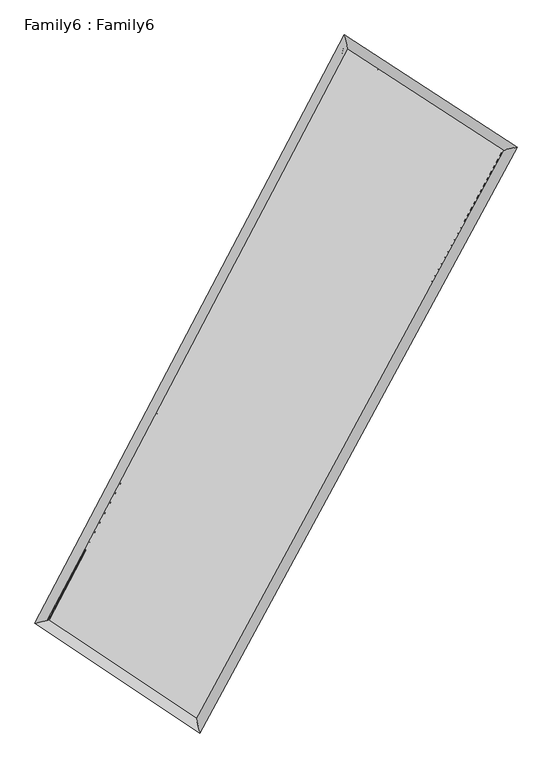
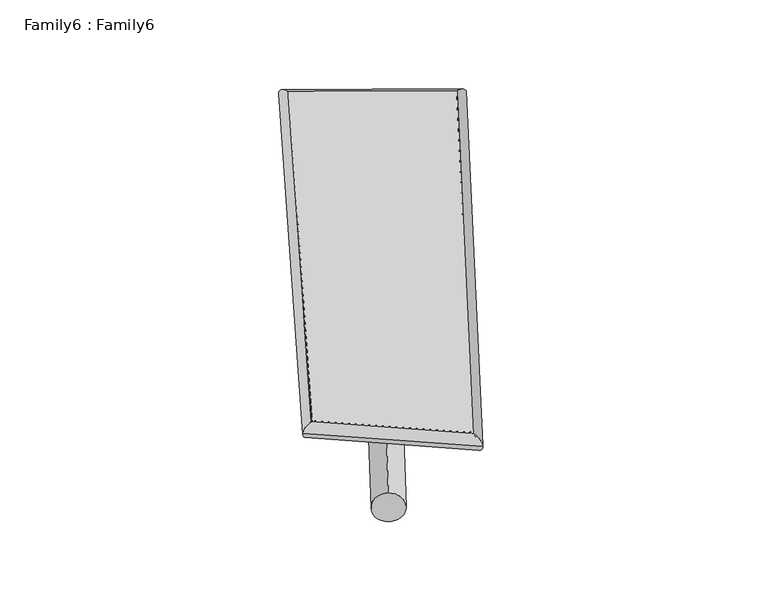
"""IFC4 building model written with IfcOpenShell, lengths in millimetres: plate geometry, Family6 : Family6."""

from ifc_helpers import new_model, si_unit, point, frame, origin, origin_2d, place, context, project, spatial, circle_curve, ellipse_curve, trimmed, segment, composite_curve, outline, extrude, source, transform, mapped, element, save
from ifc_brep_helpers import plane_surface, cylinder_surface, spline_surface, advanced_brep


def family6_family6_63642107(model_context):
    return source(origin(), model_context, "Body", "SolidModel", [
        extrude(outline(composite_curve([segment(trimmed(circle_curve(origin_2d(), 76.2), [point((-75.4341515, -10.7763073))], [point((75.4341515, 10.7763073))], False, "CARTESIAN"), True, "CONTINUOUS"), segment(trimmed(circle_curve(origin_2d(), 76.2), [point((75.4341515, 10.7763073))], [point((-75.4341515, -10.7763073))], False, "CARTESIAN"), True, "CONTINUOUS")], self_intersect=False)), frame((9144.0, 9144.0, 0.0), z_axis=(0.6710201280600094, 0.6816093945990037, 0.2917886579918906), x_axis=(-0.6757640576053171, 0.724163926510368, -0.13758468661113496)), (0.0, 0.0, 1.0), 5428.2837411),
        extrude(outline(composite_curve([segment(trimmed(circle_curve(origin_2d(), 76.2), [point((-53.8815368, 53.8815368))], [point((53.8815368, -53.8815368))], False, "CARTESIAN"), True, "CONTINUOUS"), segment(trimmed(circle_curve(origin_2d(), 76.2), [point((53.8815368, -53.8815368))], [point((-53.8815368, 53.8815368))], False, "CARTESIAN"), True, "CONTINUOUS")], self_intersect=False)), frame((9144.0, 9144.0, 0.0), z_axis=(-0.6623986604726093, -0.6892121694716715, 0.2936232280597787), x_axis=(0.6559534857932964, -0.3442626495357132, 0.6717203678691561)), (0.0, 0.0, 1.0), 5401.1136345),
        extrude(outline(composite_curve([segment(trimmed(circle_curve(origin_2d(), 76.2), [point((-53.8815367, -53.8815367))], [point((53.8815367, 53.8815367))], False, "CARTESIAN"), True, "CONTINUOUS"), segment(trimmed(circle_curve(origin_2d(), 76.2), [point((53.8815367, 53.8815367))], [point((-53.8815367, -53.8815367))], False, "CARTESIAN"), True, "CONTINUOUS")], self_intersect=False)), frame((9144.0, 9144.0, 0.0), z_axis=(0.2077480475382077, 0.9431421610211226, 0.2594679418511461), x_axis=(-0.8488246092382503, 0.30564589253045354, -0.43136686373757804)), (0.0, 0.0, 1.0), 5625.6212151),
        extrude(outline(composite_curve([segment(trimmed(circle_curve(origin_2d(), 76.2), [point((-75.4341514, 10.7763073))], [point((75.4341514, -10.7763073))], False, "CARTESIAN"), True, "CONTINUOUS"), segment(trimmed(circle_curve(origin_2d(), 76.2), [point((75.4341514, -10.7763073))], [point((-75.4341514, 10.7763073))], False, "CARTESIAN"), True, "CONTINUOUS")], self_intersect=False)), frame((9144.0, 9144.0, 0.0), z_axis=(-0.21783457301749481, -0.9409235226832708, 0.25925088863799506), x_axis=(0.895783922523945, -0.08730016845640588, 0.4358323585222857)), (0.0, 0.0, 1.0), 5621.5575162),
        advanced_brep(
        [(5368.0422254, 5371.2068272, 1577.9603652), (5367.7707082, 5370.6967011, 1597.1698781), (5764.5769014, 5471.7666816, 1593.8244758), (10369.641662, 14231.198189, 1471.3590907), (10255.7819852, 14668.3229107, 1447.9776259), (5764.8484187, 5472.2768076, 1574.6149629), (12585.4970877, 12792.8295834, 1582.6485293), (12987.4782144, 12895.1088055, 1585.1747267), (7864.8750989, 4073.8696857, 1459.9372278), (7973.9857386, 3635.2189121, 1454.8503354)],
        [
            (0, 1, ellipse_curve(frame((5566.3095634, 5421.4867544, 1585.8924205), z_axis=(-0.2465906438292649, 0.9688644255741808, 0.022243633531440522), x_axis=(-0.9679653493668104, -0.24735198233810388, 0.04312863617828741)), 205.2542085, 152.4)),
            (1, 2, ellipse_curve(frame((5566.3095634, 5421.4867544, 1585.8924205), z_axis=(-0.2465906438292649, 0.9688644255741808, 0.022243633531440522), x_axis=(-0.9679653493668104, -0.24735198233810388, 0.04312863617828741)), 205.2542085, 152.4)),
            (2, 3),
            (3, 4, ellipse_curve(frame((10312.7118236, 14449.7605499, 1459.6683583), z_axis=(-0.9671870198989545, -0.2531067016834714, -0.022051442172640386), x_axis=(0.25220982737854625, -0.9669705632515834, 0.03685285305915188)), 226.1874569, 152.4)),
            (4, 0),
            (2, 5, ellipse_curve(frame((5566.3095634, 5421.4867544, 1585.8924205), z_axis=(-0.2465906438292649, 0.9688644255741808, 0.022243633531440522), x_axis=(-0.9679653493668104, -0.24735198233810388, 0.04312863617828741)), 205.2542085, 152.4)),
            (5, 0, ellipse_curve(frame((5566.3095634, 5421.4867544, 1585.8924205), z_axis=(-0.2465906438292649, 0.9688644255741808, 0.022243633531440522), x_axis=(-0.9679653493668104, -0.24735198233810388, 0.04312863617828741)), 205.2542085, 152.4)),
            (4, 3, ellipse_curve(frame((10312.7118236, 14449.7605499, 1459.6683583), z_axis=(-0.9671870198989545, -0.2531067016834714, -0.022051442172640386), x_axis=(0.25220982737854625, -0.9669705632515834, 0.03685285305915188)), 226.1874569, 152.4)),
            (3, 6),
            (6, 7, ellipse_curve(frame((12786.4876511, 12843.9691945, 1583.911628), z_axis=(-0.24641150992288388, 0.9689541626614341, -0.020228653899946256), x_axis=(-0.9681714812483728, -0.2470501940106526, -0.04012710476262309)), 207.5009348, 152.4)),
            (7, 4),
            (7, 6, ellipse_curve(frame((12786.4876511, 12843.9691945, 1583.911628), z_axis=(-0.24641150992288388, 0.9689541626614341, -0.020228653899946256), x_axis=(-0.9681714812483728, -0.2470501940106526, -0.04012710476262309)), 207.5009348, 152.4)),
            (6, 8),
            (8, 9, ellipse_curve(frame((7919.4304188, 3854.5442989, 1457.3937816), z_axis=(0.9700711770682799, 0.24158110680889994, -0.024504698617787504), x_axis=(-0.24053854914367498, 0.9698514928093128, 0.03910611552434434)), 226.1283921, 152.4)),
            (9, 7),
            (9, 8, ellipse_curve(frame((7919.4304188, 3854.5442989, 1457.3937816), z_axis=(0.9700711770682799, 0.24158110680889994, -0.024504698617787504), x_axis=(-0.24053854914367498, 0.9698514928093128, 0.03910611552434434)), 226.1283921, 152.4)),
            (8, 5),
            (1, 9),
        ],
        [
            cylinder_surface(frame((5566.3095634, 5421.4867544, 1585.8924205), z_axis=(-0.4653022615436265, -0.8850653578404151, 0.012374075852552902), x_axis=(-0.8837301531784452, 0.4637175023025238, -0.06314344321868094)), 152.4),
            cylinder_surface(frame((10312.7118236, 14449.7605499, 1459.6683583), z_axis=(-0.8380352785838557, 0.5439901994947415, -0.04208960325960512), x_axis=(0.5452978177573398, 0.8376850482842388, -0.03056222881459575)), 152.4),
            cylinder_surface(frame((12786.4876511, 12843.9691945, 1583.911628), z_axis=(0.4760791828024152, 0.8793153344791673, 0.012375550572577674), x_axis=(0.8793968291858643, -0.4760791828024152, -0.0031350470542270957)), 152.4),
            cylinder_surface(frame((7919.4304188, 3854.5442989, 1457.3937816), z_axis=(0.8314863645810917, -0.5536865150385724, -0.045405600757627035), x_axis=(-0.5527049015301414, -0.832721797641143, 0.03304087707462425)), 152.4),
        ],
        [
            (0, [[1, 2, 3, 4, 5]]),
            (0, [[6, 7, -5, 8, -3]]),
            (1, [[-4, 9, 10, 11]]),
            (1, [[-8, -11, 12, -9]]),
            (2, [[-10, 13, 14, 15]]),
            (2, [[-12, -15, 16, -13]]),
            (3, [[-14, 17, -6, -2, 18]]),
            (3, [[-16, -18, -1, -7, -17]]),
        ],
    ),
        extrude(outline(composite_curve([segment(trimmed(circle_curve(origin_2d(), 304.8), [point((0.0, 304.8))], [point((-1e-07, -304.8))], False, "CARTESIAN"), True, "CONTINUOUS"), segment(trimmed(circle_curve(origin_2d(), 304.8), [point((-1e-07, -304.8))], [point((0.0, 304.8))], False, "CARTESIAN"), True, "CONTINUOUS")], self_intersect=False)), frame((11612.9916953, 13626.939934, -0.1103005), z_axis=(-0.482424926898857, -0.8759373204985298, 2.1551996289507586e-05), x_axis=(-0.8759373207461332, 0.482424926898857, -5.542413448934997e-06)), (0.0, 0.0, 1.0), 10235.7550685),
        advanced_brep(
        [(5566.3095634, 5421.4867544, 1585.8924205), (7919.4304188, 3854.5442989, 1457.3937816), (7919.3987924, 3854.5551334, 1609.7937779), (5566.277937, 5421.4975889, 1738.2924168), (12786.4876511, 12843.9691945, 1583.911628), (12786.4560247, 12843.980029, 1736.3116243), (10312.7118236, 14449.7605499, 1459.6683583), (10312.6801972, 14449.7713844, 1612.0683546)],
        [
            (0, 1),
            (1, 2),
            (2, 3),
            (3, 0),
            (1, 4),
            (4, 5),
            (5, 2),
            (4, 6),
            (6, 7),
            (7, 5),
            (6, 0),
            (3, 7),
        ],
        [
            plane_surface(frame((6742.8699911, 4638.0155266, 1521.6431011), z_axis=(-0.5542602701070776, -0.8323434086132229, -5.584757483466027e-05), x_axis=(0.8314863645810917, -0.5536865150385721, -0.04540560075762705))),
            plane_surface(frame((10352.9590349, 8349.2567467, 1520.6527048), z_axis=(0.8793813822602565, -0.47611798719553466, 0.00021633981073248057), x_axis=(0.47607918280241496, 0.8793153344791675, 0.012375550572577667))),
            plane_surface(frame((11549.5997373, 13646.8648722, 1521.7899932), z_axis=(0.5444708032015475, 0.8387797932794621, 5.3358461338779556e-05), x_axis=(-0.8380352785838556, 0.5439901994947417, -0.04208960325960514))),
            plane_surface(frame((7939.5106935, 9935.6236521, 1522.7803894), z_axis=(-0.8851343527018662, 0.4653355033511447, -0.00021676712135474275), x_axis=(-0.46530226154362664, -0.885065357840415, 0.012374075852552905))),
            spline_surface(1, 1, [[(7919.3987924, 3854.5551334, 1609.7937779), (5566.277937, 5421.4975889, 1738.2924168)], [(12786.4560247, 12843.980029, 1736.3116243), (10312.6801972, 14449.7713844, 1612.0683546)]], [2, 2], [2, 2], [0.0, 1.0], [0.0, 1.0]),
            spline_surface(1, 1, [[(10312.7118236, 14449.7605499, 1459.6683583), (5566.3095634, 5421.4867544, 1585.8924205)], [(12786.4876511, 12843.9691945, 1583.911628), (7919.4304188, 3854.5442989, 1457.3937816)]], [2, 2], [2, 2], [0.0, 1.0], [0.0, 1.0]),
        ],
        [
            (0, [[1, 2, 3, 4]]),
            (1, [[5, 6, 7, -2]]),
            (2, [[8, 9, 10, -6]]),
            (3, [[11, -4, 12, -9]]),
            (4, [[-3, -7, -10, -12]]),
            (5, [[-11, -8, -5, -1]]),
        ],
    ),
    ])


if __name__ == "__main__":
    model = new_model("IFC4")
    model_context = context("Model", 3, world=origin())
    ifc_project = project(units=[si_unit("LENGTHUNIT", "METRE", prefix="MILLI")], contexts=[model_context])
    site = spatial("IfcSite", under=ifc_project)
    building = spatial("IfcBuilding", under=site)
    placement = place(None, origin())
    family6_family6_shape = family6_family6_63642107(model_context)
    element("IfcPlate", 1, ObjectType="Family6 : Family6", at=placement, inside=building, context=model_context, shape_type="MappedRepresentation", body=[
        mapped(family6_family6_shape, transform((0.0, 0.0, 0.0), x_axis=(1.0, 0.0, 0.0), y_axis=(0.0, 1.0, 0.0), z_axis=(0.0, 0.0, 1.0))),
    ])
    save(model, "model.ifc")
